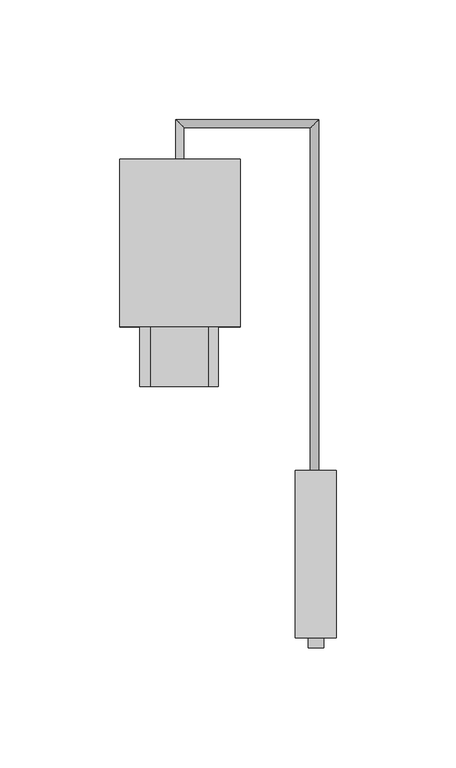
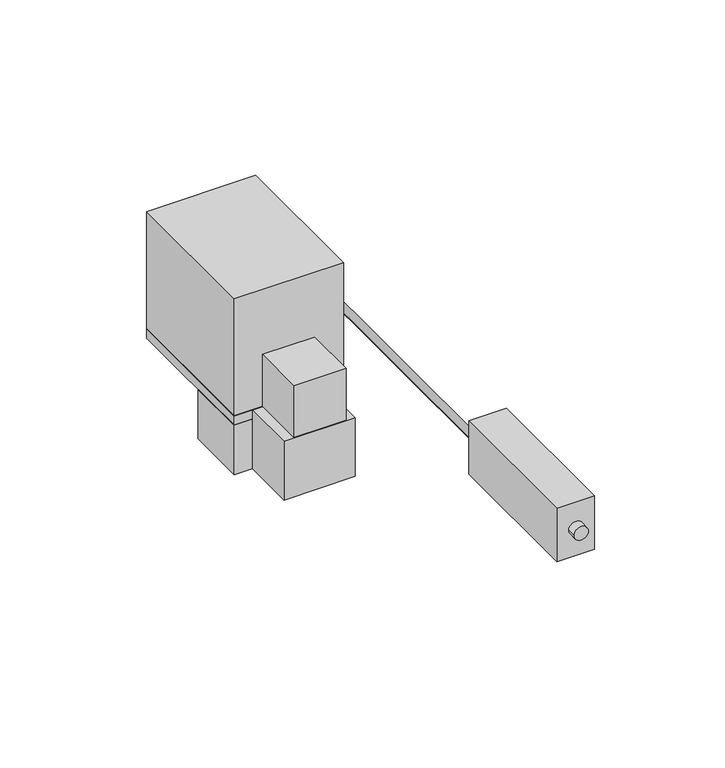
"""IFC4 building model written with IfcOpenShell, lengths in millimetres: proxy geometry."""

from ifc_helpers import new_model, si_unit, point, frame, frame_2d, origin, origin_with_axes, place, context, project, spatial, polyline, circle_curve, ellipse_curve, trimmed, segment, composite_curve, outline, extrude, source, transform, mapped, element, save
from ifc_brep_helpers import plane_surface, cylinder_surface, advanced_brep


def specialty_equipment_c241da76(model_context):
    return source(origin(), model_context, "Body", "SolidModel", [
        extrude(outline(composite_curve([segment(trimmed(circle_curve(frame_2d((24.2492068, 87.0790418)), 3.2446658), [point((24.2492068, 83.8343759))], [point((24.2492068, 90.3237076))], False, "CARTESIAN"), True, "CONTINUOUS"), segment(trimmed(circle_curve(frame_2d((24.2492068, 87.0790418)), 3.2446658), [point((24.2492068, 90.3237076))], [point((24.2492068, 83.8343759))], False, "CARTESIAN"), True, "CONTINUOUS")], self_intersect=False)), frame((0.0, -204.2752635, 0.0), z_axis=(0.0, 1.0, 0.0), x_axis=(0.0, 0.0, 1.0)), (0.0, 0.0, 1.0), 4.2752635),
        extrude(outline(polyline([(95.4552052, -130.0), (95.4552052, -200.0), (78.3, -200.0), (78.3, -130.0), (95.4552052, -130.0)])), frame((0.0, 0.0, 11.0), z_axis=(0.0, 0.0, 1.0), x_axis=(1.0, 0.0, 0.0)), (0.0, 0.0, 1.0), 26.0),
        advanced_brep(
        [(31.8532285, -41.2882184, 20.0004988), (28.4467715, -41.2882184, 20.0004988), (31.8532285, 13.2356114, 20.0004988), (28.4467715, 16.6420683, 20.0004988), (84.6967715, 13.2356114, 20.0004988), (88.1032285, 16.6420683, 20.0004988), (84.6967715, -130.0611602, 20.0004988), (88.1032285, -130.0611602, 20.0004988)],
        [
            (0, 1, circle_curve(frame((30.15, -41.2882184, 20.0004988), z_axis=(0.0, -1.0, 0.0), x_axis=(-1.0, 0.0, 0.0)), 1.7032285)),
            (1, 0, circle_curve(frame((30.15, -41.2882184, 20.0004988), z_axis=(0.0, -1.0, 0.0), x_axis=(-1.0, 0.0, 0.0)), 1.7032285)),
            (0, 2),
            (2, 3, ellipse_curve(frame((30.15, 14.9388398, 20.0004988), z_axis=(-0.7071067811865486, -0.7071067811865465, 0.0), x_axis=(0.7071067811865464, -0.7071067811865485, 0.0)), 2.4087288, 1.7032285)),
            (3, 1),
            (3, 2, ellipse_curve(frame((30.15, 14.9388398, 20.0004988), z_axis=(-0.7071067811865486, -0.7071067811865465, 0.0), x_axis=(0.7071067811865464, -0.7071067811865485, 0.0)), 2.4087288, 1.7032285)),
            (2, 4),
            (4, 5, ellipse_curve(frame((86.4, 14.9388398, 20.0004988), z_axis=(-0.7071067811865466, 0.7071067811865486, 0.0), x_axis=(-0.7071067811865483, -0.7071067811865467, 0.0)), 2.4087288, 1.7032285)),
            (5, 3),
            (5, 4, ellipse_curve(frame((86.4, 14.9388398, 20.0004988), z_axis=(-0.7071067811865466, 0.7071067811865486, 0.0), x_axis=(-0.7071067811865483, -0.7071067811865467, 0.0)), 2.4087288, 1.7032285)),
            (6, 7, circle_curve(frame((86.4, -130.0611602, 20.0004988), z_axis=(0.0, -1.0, 0.0), x_axis=(1.0, 0.0, 0.0)), 1.7032285)),
            (7, 6, circle_curve(frame((86.4, -130.0611602, 20.0004988), z_axis=(0.0, -1.0, 0.0), x_axis=(1.0, 0.0, 0.0)), 1.7032285)),
            (4, 6),
            (7, 5),
        ],
        [
            plane_surface(frame((30.15, -41.2882184, 0.0), z_axis=(0.0, -1.0, 0.0), x_axis=(0.0, 0.0, 1.0))),
            cylinder_surface(frame((30.15, -41.2882184, 20.0004988), z_axis=(0.0, -1.0, 0.0), x_axis=(-1.0, 0.0, 0.0)), 1.7032285),
            cylinder_surface(frame((30.15, 14.9388398, 20.0004988), z_axis=(-1.0, 0.0, 0.0), x_axis=(0.0, 1.0, 0.0)), 1.7032285),
            plane_surface(frame((86.4, -130.0611602, 0.0), z_axis=(0.0, -1.0, 0.0), x_axis=(0.0, 0.0, 1.0))),
            cylinder_surface(frame((86.4, 14.9388398, 20.0004988), z_axis=(0.0, 1.0, 0.0), x_axis=(1.0, 0.0, 0.0)), 1.7032285),
        ],
        [
            (0, [[1, 2]]),
            (1, [[-1, 3, 4, 5]]),
            (1, [[-2, -5, 6, -3]]),
            (2, [[-4, 7, 8, 9]]),
            (2, [[-6, -9, 10, -7]]),
            (3, [[11, 12]]),
            (4, [[-8, 13, -12, 14]]),
            (4, [[-10, -14, -11, -13]]),
        ],
    ),
        extrude(outline(polyline([(46.1453565, -70.0), (46.1453565, -95.0), (13.3692821, -95.0), (13.3692821, -70.0), (46.1453565, -70.0)])), origin_with_axes(), (0.0, 0.0, 1.0), 28.5),
        extrude(outline(polyline([(41.976687, -70.0), (41.976687, -95.0), (17.9136243, -95.0), (17.9136243, -70.0), (41.976687, -70.0)])), frame((0.0, 0.0, 28.5), z_axis=(0.0, 0.0, 1.0), x_axis=(1.0, 0.0, 0.0)), (0.0, 0.0, 1.0), 25.5),
        extrude(outline(polyline([(55.3, -70.0), (5.0, -70.0), (5.0, -41.2270583), (55.3, -41.2270583), (55.3, -70.0)])), origin_with_axes(), (0.0, 0.0, 1.0), 24.0),
        extrude(outline(polyline([(55.3, -70.0), (5.0, -70.0), (5.0, 0.0), (55.3, 0.0), (55.3, -70.0)])), frame((0.0, 0.0, 24.0), z_axis=(0.0, 0.0, 1.0), x_axis=(1.0, 0.0, 0.0)), (0.0, 0.0, 1.0), 4.5),
        extrude(outline(polyline([(55.3, -70.0), (5.0, -70.0), (5.0, 0.0), (55.3, 0.0), (55.3, -70.0)])), frame((0.0, 0.0, 28.5), z_axis=(0.0, 0.0, 1.0), x_axis=(1.0, 0.0, 0.0)), (0.0, 0.0, 1.0), 57.0),
    ])


if __name__ == "__main__":
    model = new_model("IFC4")
    model_context = context("Model", 3, world=origin())
    ifc_project = project(units=[si_unit("LENGTHUNIT", "METRE", prefix="MILLI")], contexts=[model_context])
    site = spatial("IfcSite", under=ifc_project)
    building = spatial("IfcBuilding", under=site)
    placement = place(None, origin())
    specialty_equipment_shape = specialty_equipment_c241da76(model_context)
    element("IfcBuildingElementProxy", 1, Name="Specialty Equipment", at=placement, inside=building, context=model_context, shape_type="MappedRepresentation", body=[
        mapped(specialty_equipment_shape, transform((0.0, 0.0, 0.0), x_axis=(1.0, 0.0, 0.0), y_axis=(0.0, 1.0, 0.0), z_axis=(0.0, 0.0, 1.0))),
    ])
    save(model, "model.ifc")
